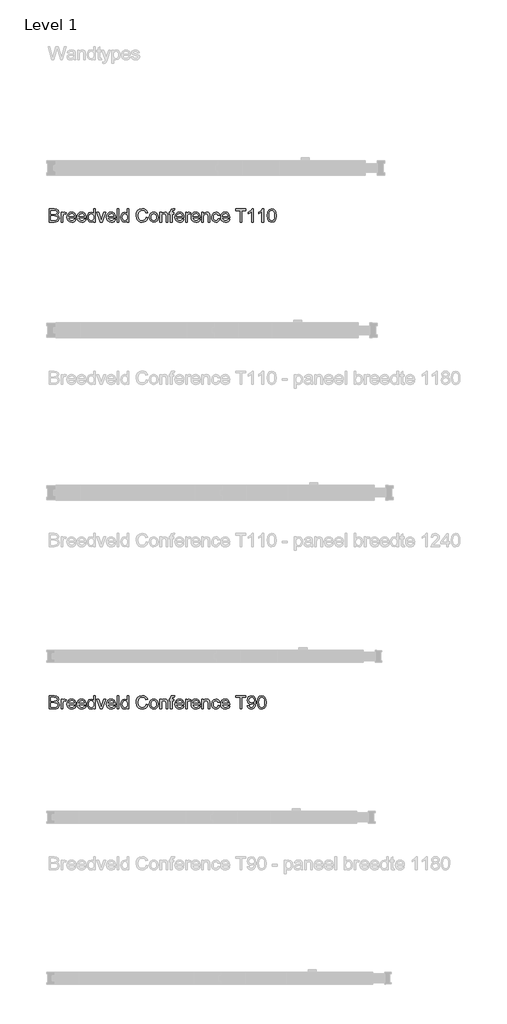
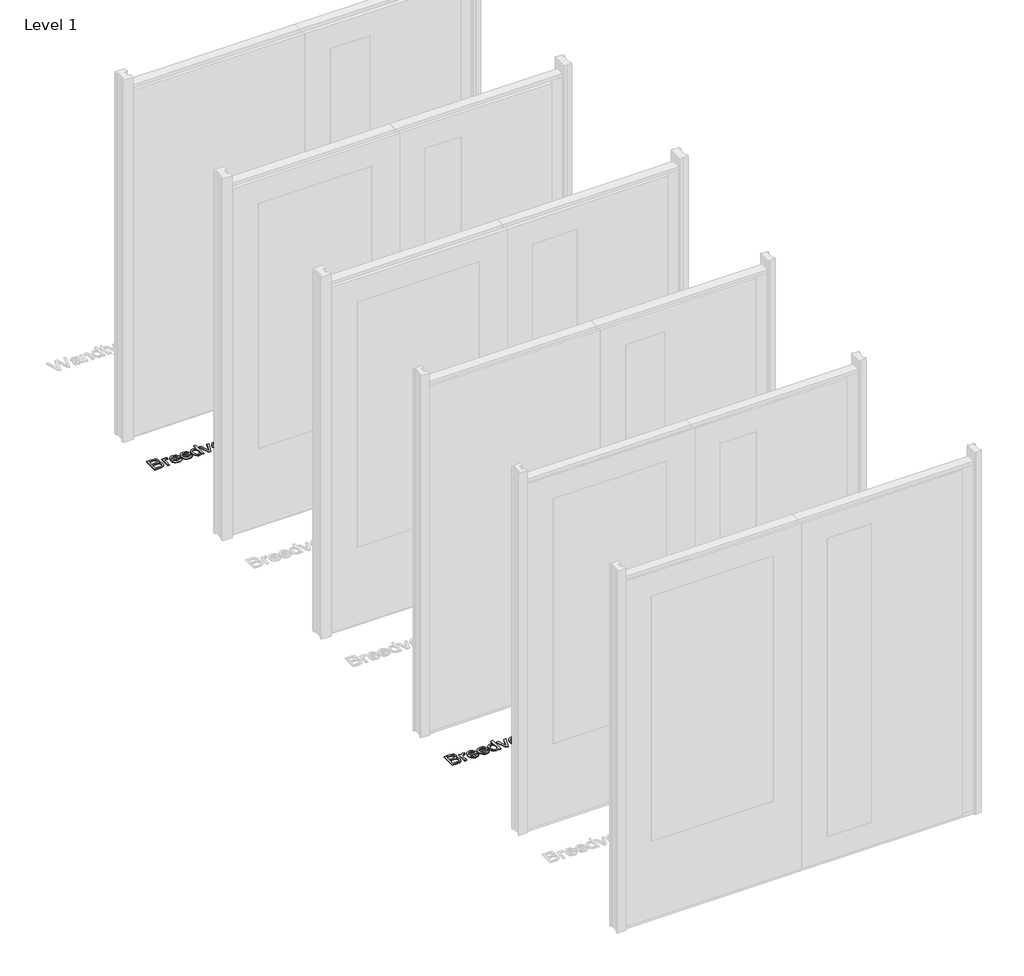
# One storey, part 5 of 17: 2 proxies.
"""IFC4 building model written with IfcOpenShell, lengths in millimetres."""

from ifc_helpers import new_model, si_unit, origin, origin_with_axes, place, context, project, spatial, polyline, outline, extrude, element, save

model = new_model("IFC4")

# Units and contexts
model_context = context("Model", 3, world=origin())
ifc_project = project(units=[si_unit("LENGTHUNIT", "METRE", prefix="MILLI")], contexts=[model_context])

# Site, building, storey
site = spatial("IfcSite", under=ifc_project)
building = spatial("IfcBuilding", under=site)
storey = spatial("IfcBuildingStorey", under=building, Name="Level 1", Elevation=0.0)

# Proxies
placement = place(None, origin())
element("IfcBuildingElementProxy", 1, Name="100 mm", ObjectType="100 mm", at=placement, inside=storey, context=model_context, shape_type="SweptSolid", body=[
    extrude(outline(polyline([(-17380.3580543, 4122.9102169), (-17380.3580543, 4221.3717554), (-17342.7859389, 4221.3717554), (-17324.3844966, 4218.4751207), (-17313.519112, 4209.5688707), (-17309.5888235, 4196.9727169), (-17312.894112, 4185.4703131), (-17322.8820927, 4176.7563707), (-17310.7546889, 4167.5736784), (-17306.5119004, 4152.2611784), (-17309.4085351, 4139.0280054), (-17316.5840158, 4129.6049284), (-17327.2931504, 4124.6049284), (-17343.0744004, 4122.9102169), (-17380.3580543, 4122.9102169)]), holes=[polyline([(-17368.050362, 4135.2179092), (-17342.8099774, 4135.2179092), (-17333.675362, 4135.6986784), (-17325.9469966, 4138.3789669), (-17320.8268043, 4143.8477169), (-17318.8195927, 4152.1409861), (-17321.175362, 4161.7082938), (-17328.8075735, 4167.4174284), (-17344.0119004, 4169.0640631), (-17368.050362, 4169.0640631), (-17368.050362, 4135.2179092)]), polyline([(-17368.050362, 4181.3717554), (-17345.5744004, 4181.3717554), (-17332.4494004, 4182.4294477), (-17324.5527658, 4186.9847361), (-17321.8965158, 4195.0015631), (-17324.3724774, 4203.0304092), (-17331.4638235, 4207.7780054), (-17347.2811312, 4209.0640631), (-17368.050362, 4209.0640631), (-17368.050362, 4181.3717554)])]), origin_with_axes(), (0.0, 0.0, 1.0), 5.0),
    extrude(outline(polyline([(-17291.1272851, 4122.9102169), (-17291.1272851, 4195.2179092), (-17280.3580543, 4195.2179092), (-17280.3580543, 4184.5207938), (-17272.7138235, 4194.3765631), (-17265.0215158, 4196.7563707), (-17252.6657466, 4192.9582938), (-17256.7763235, 4181.92464), (-17265.4301697, 4184.4486784), (-17272.3893043, 4182.0207938), (-17276.8244004, 4175.2900246), (-17278.8195927, 4160.9150246), (-17278.8195927, 4122.9102169), (-17291.1272851, 4122.9102169)])), origin_with_axes(), (0.0, 0.0, 1.0), 5.0),
    extrude(outline(polyline([(-17194.3484389, 4144.4486784), (-17182.2811312, 4142.9102169), (-17186.6290879, 4133.8176688), (-17193.5671889, 4127.0207938), (-17202.9391841, 4122.784015), (-17214.5888235, 4121.3717554), (-17229.0299293, 4123.8086544), (-17240.1417081, 4131.1193515), (-17247.2270447, 4142.8290871), (-17249.5888235, 4158.4631015), (-17247.2030062, 4174.6229573), (-17240.0455543, 4186.7082938), (-17229.0840158, 4194.2443515), (-17215.2859389, 4196.7563707), (-17201.9175495, 4194.2503611), (-17191.2354581, 4186.7323323), (-17184.2312514, 4174.6710342), (-17181.8965158, 4158.5352169), (-17181.9686312, 4155.2179092), (-17237.2811312, 4155.2179092), (-17235.1507226, 4146.0051688), (-17230.2018043, 4139.2323323), (-17214.3484389, 4133.6794477), (-17202.2811312, 4136.2515631), (-17194.3484389, 4144.4486784)]), holes=[polyline([(-17237.2811312, 4167.5256015), (-17194.2042081, 4167.5256015), (-17199.1320927, 4178.6794477), (-17206.3075735, 4183.0063707), (-17215.3340158, 4184.4486784), (-17230.4902658, 4179.8453131), (-17237.2811312, 4167.5256015)])]), origin_with_axes(), (0.0, 0.0, 1.0), 5.0),
    extrude(outline(polyline([(-17118.9638235, 4144.4486784), (-17106.8965158, 4142.9102169), (-17111.2444726, 4133.8176688), (-17118.1825735, 4127.0207938), (-17127.5545687, 4122.784015), (-17139.2042081, 4121.3717554), (-17153.6453139, 4123.8086544), (-17164.7570927, 4131.1193515), (-17171.8424293, 4142.8290871), (-17174.2042081, 4158.4631015), (-17171.8183908, 4174.6229573), (-17164.6609389, 4186.7082938), (-17153.6994004, 4194.2443515), (-17139.9013235, 4196.7563707), (-17126.5329341, 4194.2503611), (-17115.8508427, 4186.7323323), (-17108.846636, 4174.6710342), (-17106.5119004, 4158.5352169), (-17106.5840158, 4155.2179092), (-17161.8965158, 4155.2179092), (-17159.7661072, 4146.0051688), (-17154.8171889, 4139.2323323), (-17138.9638235, 4133.6794477), (-17126.8965158, 4136.2515631), (-17118.9638235, 4144.4486784)]), holes=[polyline([(-17161.8965158, 4167.5256015), (-17118.8195927, 4167.5256015), (-17123.7474774, 4178.6794477), (-17130.9229581, 4183.0063707), (-17139.9494004, 4184.4486784), (-17155.1056504, 4179.8453131), (-17161.8965158, 4167.5256015)])]), origin_with_axes(), (0.0, 0.0, 1.0), 5.0),
    extrude(outline(polyline([(-17049.5888235, 4122.9102169), (-17049.5888235, 4134.5207938), (-17057.7318524, 4124.659015), (-17068.987862, 4121.3717554), (-17084.2282466, 4126.1313707), (-17094.9974774, 4139.4126207), (-17098.8195927, 4158.9919477), (-17095.2979581, 4178.5832938), (-17084.7450735, 4192.0688707), (-17069.0359389, 4196.7563707), (-17057.6897851, 4193.4030054), (-17049.5888235, 4184.6890631), (-17049.5888235, 4221.3717554), (-17037.2811312, 4221.3717554), (-17037.2811312, 4122.9102169), (-17049.5888235, 4122.9102169)]), holes=[polyline([(-17086.5119004, 4159.0400246), (-17085.1236793, 4147.9072121), (-17080.9590158, 4139.9895438), (-17074.9073331, 4135.2569717), (-17067.8580543, 4133.6794477), (-17060.8117802, 4135.1848563), (-17054.9133427, 4139.7010823), (-17050.9199533, 4147.3122602), (-17049.5888235, 4158.1025246), (-17050.9439918, 4169.8993996), (-17055.0094966, 4178.0784861), (-17061.0581745, 4182.8561304), (-17068.362862, 4184.4486784), (-17075.4842562, 4182.9192313), (-17081.3195927, 4178.33089), (-17085.2138235, 4170.4492794), (-17086.5119004, 4159.0400246)])]), origin_with_axes(), (0.0, 0.0, 1.0), 5.0),
    extrude(outline(polyline([(-17001.0792081, 4122.9102169), (-17026.5119004, 4195.2179092), (-17013.4830543, 4195.2179092), (-16998.0744004, 4151.9006015), (-16993.4349774, 4137.3332938), (-16988.8917081, 4151.0832938), (-16973.3869004, 4195.2179092), (-16960.3580543, 4195.2179092), (-16985.4782466, 4122.9102169), (-17001.0792081, 4122.9102169)])), origin_with_axes(), (0.0, 0.0, 1.0), 5.0),
    extrude(outline(polyline([(-16898.9638235, 4144.4486784), (-16886.8965158, 4142.9102169), (-16891.2444726, 4133.8176688), (-16898.1825735, 4127.0207938), (-16907.5545687, 4122.784015), (-16919.2042081, 4121.3717554), (-16933.6453139, 4123.8086544), (-16944.7570927, 4131.1193515), (-16951.8424293, 4142.8290871), (-16954.2042081, 4158.4631015), (-16951.8183908, 4174.6229573), (-16944.6609389, 4186.7082938), (-16933.6994004, 4194.2443515), (-16919.9013235, 4196.7563707), (-16906.5329341, 4194.2503611), (-16895.8508427, 4186.7323323), (-16888.846636, 4174.6710342), (-16886.5119004, 4158.5352169), (-16886.5840158, 4155.2179092), (-16941.8965158, 4155.2179092), (-16939.7661072, 4146.0051688), (-16934.8171889, 4139.2323323), (-16918.9638235, 4133.6794477), (-16906.8965158, 4136.2515631), (-16898.9638235, 4144.4486784)]), holes=[polyline([(-16941.8965158, 4167.5256015), (-16898.8195927, 4167.5256015), (-16903.7474774, 4178.6794477), (-16910.9229581, 4183.0063707), (-16919.9494004, 4184.4486784), (-16935.1056504, 4179.8453131), (-16941.8965158, 4167.5256015)])]), origin_with_axes(), (0.0, 0.0, 1.0), 5.0),
    extrude(outline(polyline([(-16874.2042081, 4122.9102169), (-16874.2042081, 4221.3717554), (-16861.8965158, 4221.3717554), (-16861.8965158, 4122.9102169), (-16874.2042081, 4122.9102169)])), origin_with_axes(), (0.0, 0.0, 1.0), 5.0),
    extrude(outline(polyline([(-16798.8195927, 4122.9102169), (-16798.8195927, 4134.5207938), (-16806.9626216, 4124.659015), (-16818.2186312, 4121.3717554), (-16833.4590158, 4126.1313707), (-16844.2282466, 4139.4126207), (-16848.050362, 4158.9919477), (-16844.5287274, 4178.5832938), (-16833.9758427, 4192.0688707), (-16818.2667081, 4196.7563707), (-16806.9205543, 4193.4030054), (-16798.8195927, 4184.6890631), (-16798.8195927, 4221.3717554), (-16786.5119004, 4221.3717554), (-16786.5119004, 4122.9102169), (-16798.8195927, 4122.9102169)]), holes=[polyline([(-16835.7426697, 4159.0400246), (-16834.3544485, 4147.9072121), (-16830.1897851, 4139.9895438), (-16824.1381024, 4135.2569717), (-16817.0888235, 4133.6794477), (-16810.0425495, 4135.1848563), (-16804.144112, 4139.7010823), (-16800.1507226, 4147.3122602), (-16798.8195927, 4158.1025246), (-16800.174761, 4169.8993996), (-16804.2402658, 4178.0784861), (-16810.2889437, 4182.8561304), (-16817.5936312, 4184.4486784), (-16824.7150254, 4182.9192313), (-16830.550362, 4178.33089), (-16834.4445927, 4170.4492794), (-16835.7426697, 4159.0400246)])]), origin_with_axes(), (0.0, 0.0, 1.0), 5.0),
    extrude(outline(polyline([(-16658.8195927, 4157.9102169), (-16646.5119004, 4154.73714), (-16652.190987, 4140.3951929), (-16661.1032466, 4129.9174284), (-16672.8099774, 4123.5081736), (-16686.8724774, 4121.3717554), (-16701.1483187, 4122.9883419), (-16712.4854581, 4127.8381015), (-16721.175362, 4135.752765), (-16727.5094966, 4146.5640631), (-16732.6657466, 4172.8861784), (-16731.2084149, 4187.2431496), (-16726.8364197, 4199.6409861), (-16719.7781264, 4209.6860582), (-16710.2619004, 4216.9847361), (-16686.6080543, 4222.9102169), (-16673.1134629, 4220.9931496), (-16661.956612, 4215.2419477), (-16653.4860591, 4206.0111784), (-16648.050362, 4193.6554092), (-16660.3580543, 4190.7227169), (-16670.4542081, 4205.8549284), (-16687.0888235, 4210.6025246), (-16706.3436312, 4205.3381015), (-16717.2210351, 4191.2034861), (-16720.3580543, 4172.9102169), (-16716.644112, 4151.7082938), (-16705.081612, 4138.1626207), (-16688.0984389, 4133.6794477), (-16677.8250014, 4135.20589), (-16669.2643043, 4139.7852169), (-16662.8009629, 4147.3693515), (-16658.8195927, 4157.9102169)])), origin_with_axes(), (0.0, 0.0, 1.0), 5.0),
    extrude(outline(polyline([(-16634.2042081, 4159.0640631), (-16631.5419485, 4176.4979573), (-16623.5551697, 4188.7515631), (-16613.6873812, 4194.7551688), (-16601.8724774, 4196.7563707), (-16588.9427899, 4194.3194717), (-16578.6152658, 4187.0087746), (-16571.8454341, 4175.4012025), (-16569.5888235, 4160.0736784), (-16573.5792081, 4138.17464), (-16585.2018043, 4125.7828131), (-16601.8724774, 4121.3717554), (-16614.9584149, 4123.79964), (-16625.2739197, 4131.0832938), (-16631.971636, 4142.9342554), (-16634.2042081, 4159.0640631)]), holes=[polyline([(-16621.8965158, 4159.0881015), (-16620.472237, 4147.9492794), (-16616.1994004, 4140.0135823), (-16609.769112, 4135.2629813), (-16601.8724774, 4133.6794477), (-16594.0119004, 4135.2719957), (-16587.5936312, 4140.04964), (-16583.3207947, 4148.0905054), (-16581.8965158, 4159.4727169), (-16583.3298091, 4170.2870198), (-16587.6296889, 4178.1145438), (-16594.0569726, 4182.8651448), (-16601.8724774, 4184.4486784), (-16609.769112, 4182.8711544), (-16616.1994004, 4178.1385823), (-16620.472237, 4170.220914), (-16621.8965158, 4159.0881015)])]), origin_with_axes(), (0.0, 0.0, 1.0), 5.0),
    extrude(outline(polyline([(-16555.7426697, 4122.9102169), (-16555.7426697, 4195.2179092), (-16543.4349774, 4195.2179092), (-16543.4349774, 4185.1217554), (-16534.0239197, 4193.8477169), (-16521.175362, 4196.7563707), (-16509.5527658, 4194.4126207), (-16501.6200735, 4188.2587746), (-16497.9301697, 4179.2082938), (-16497.2811312, 4167.3092554), (-16497.2811312, 4122.9102169), (-16509.5888235, 4122.9102169), (-16509.5888235, 4165.6506015), (-16511.0070927, 4176.5400246), (-16516.019112, 4182.2972361), (-16524.4686312, 4184.4486784), (-16537.8219966, 4179.6169477), (-16542.0317322, 4172.6157457), (-16543.4349774, 4161.2756015), (-16543.4349774, 4122.9102169), (-16555.7426697, 4122.9102169)])), origin_with_axes(), (0.0, 0.0, 1.0), 5.0),
    extrude(outline(polyline([(-16477.2811312, 4122.9102169), (-16477.2811312, 4182.9102169), (-16488.050362, 4182.9102169), (-16488.050362, 4195.2179092), (-16477.2811312, 4195.2179092), (-16477.2811312, 4202.5015631), (-16475.9830543, 4212.7659861), (-16469.6849774, 4220.0977169), (-16457.2811312, 4222.9102169), (-16446.0551697, 4221.5640631), (-16447.8580543, 4210.0256015), (-16454.9494004, 4210.6025246), (-16462.7018043, 4208.5592554), (-16464.9734389, 4200.9390631), (-16464.9734389, 4195.2179092), (-16451.1272851, 4195.2179092), (-16451.1272851, 4182.9102169), (-16464.9734389, 4182.9102169), (-16464.9734389, 4122.9102169), (-16477.2811312, 4122.9102169)])), origin_with_axes(), (0.0, 0.0, 1.0), 5.0),
    extrude(outline(polyline([(-16389.7330543, 4144.4486784), (-16377.6657466, 4142.9102169), (-16382.0137033, 4133.8176688), (-16388.9518043, 4127.0207938), (-16398.3237995, 4122.784015), (-16409.9734389, 4121.3717554), (-16424.4145447, 4123.8086544), (-16435.5263235, 4131.1193515), (-16442.6116601, 4142.8290871), (-16444.9734389, 4158.4631015), (-16442.5876216, 4174.6229573), (-16435.4301697, 4186.7082938), (-16424.4686312, 4194.2443515), (-16410.6705543, 4196.7563707), (-16397.3021649, 4194.2503611), (-16386.6200735, 4186.7323323), (-16379.6158668, 4174.6710342), (-16377.2811312, 4158.5352169), (-16377.3532466, 4155.2179092), (-16432.6657466, 4155.2179092), (-16430.5353379, 4146.0051688), (-16425.5864197, 4139.2323323), (-16409.7330543, 4133.6794477), (-16397.6657466, 4136.2515631), (-16389.7330543, 4144.4486784)]), holes=[polyline([(-16432.6657466, 4167.5256015), (-16389.5888235, 4167.5256015), (-16394.5167081, 4178.6794477), (-16401.6921889, 4183.0063707), (-16410.7186312, 4184.4486784), (-16425.8748812, 4179.8453131), (-16432.6657466, 4167.5256015)])]), origin_with_axes(), (0.0, 0.0, 1.0), 5.0),
    extrude(outline(polyline([(-16364.9734389, 4122.9102169), (-16364.9734389, 4195.2179092), (-16354.2042081, 4195.2179092), (-16354.2042081, 4184.5207938), (-16346.5599774, 4194.3765631), (-16338.8676697, 4196.7563707), (-16326.5119004, 4192.9582938), (-16330.6224774, 4181.92464), (-16339.2763235, 4184.4486784), (-16346.2354581, 4182.0207938), (-16350.6705543, 4175.2900246), (-16352.6657466, 4160.9150246), (-16352.6657466, 4122.9102169), (-16364.9734389, 4122.9102169)])), origin_with_axes(), (0.0, 0.0, 1.0), 5.0),
    extrude(outline(polyline([(-16268.1945927, 4144.4486784), (-16256.1272851, 4142.9102169), (-16260.4752418, 4133.8176688), (-16267.4133427, 4127.0207938), (-16276.7853379, 4122.784015), (-16288.4349774, 4121.3717554), (-16302.8760831, 4123.8086544), (-16313.987862, 4131.1193515), (-16321.0731985, 4142.8290871), (-16323.4349774, 4158.4631015), (-16321.0491601, 4174.6229573), (-16313.8917081, 4186.7082938), (-16302.9301697, 4194.2443515), (-16289.1320927, 4196.7563707), (-16275.7637033, 4194.2503611), (-16265.081612, 4186.7323323), (-16258.0774052, 4174.6710342), (-16255.7426697, 4158.5352169), (-16255.8147851, 4155.2179092), (-16311.1272851, 4155.2179092), (-16308.9968764, 4146.0051688), (-16304.0479581, 4139.2323323), (-16288.1945927, 4133.6794477), (-16276.1272851, 4136.2515631), (-16268.1945927, 4144.4486784)]), holes=[polyline([(-16311.1272851, 4167.5256015), (-16268.050362, 4167.5256015), (-16272.9782466, 4178.6794477), (-16280.1537274, 4183.0063707), (-16289.1801697, 4184.4486784), (-16304.3364197, 4179.8453131), (-16311.1272851, 4167.5256015)])]), origin_with_axes(), (0.0, 0.0, 1.0), 5.0),
    extrude(outline(polyline([(-16243.4349774, 4122.9102169), (-16243.4349774, 4195.2179092), (-16231.1272851, 4195.2179092), (-16231.1272851, 4185.1217554), (-16221.7162274, 4193.8477169), (-16208.8676697, 4196.7563707), (-16197.2450735, 4194.4126207), (-16189.3123812, 4188.2587746), (-16185.6224774, 4179.2082938), (-16184.9734389, 4167.3092554), (-16184.9734389, 4122.9102169), (-16197.2811312, 4122.9102169), (-16197.2811312, 4165.6506015), (-16198.6994004, 4176.5400246), (-16203.7114197, 4182.2972361), (-16212.1609389, 4184.4486784), (-16225.5143043, 4179.6169477), (-16229.7240399, 4172.6157457), (-16231.1272851, 4161.2756015), (-16231.1272851, 4122.9102169), (-16243.4349774, 4122.9102169)])), origin_with_axes(), (0.0, 0.0, 1.0), 5.0),
    extrude(outline(polyline([(-16121.8965158, 4149.0640631), (-16109.5888235, 4147.5256015), (-16113.0203139, 4136.5790871), (-16119.4686312, 4128.3068515), (-16128.3268043, 4123.1055294), (-16138.987862, 4121.3717554), (-16152.0798091, 4123.7906256), (-16162.3171889, 4131.0472361), (-16168.924761, 4142.8230775), (-16171.1272851, 4158.79964), (-16167.3652658, 4179.2443515), (-16155.8989197, 4192.3813707), (-16139.1561312, 4196.7563707), (-16128.7564918, 4195.2539669), (-16120.4421889, 4190.7467554), (-16114.4776456, 4183.4751207), (-16111.1272851, 4173.6794477), (-16123.4349774, 4172.1409861), (-16129.144112, 4181.3597361), (-16139.0599774, 4184.4486784), (-16147.0137033, 4182.9282457), (-16153.3268043, 4178.3669477), (-16157.4463956, 4170.51839), (-16158.8195927, 4159.1361784), (-16157.4764437, 4147.6007217), (-16153.4469966, 4139.7251207), (-16147.2480783, 4135.1908659), (-16139.3965158, 4133.6794477), (-16127.7979581, 4137.4534861), (-16121.8965158, 4149.0640631)])), origin_with_axes(), (0.0, 0.0, 1.0), 5.0),
    extrude(outline(polyline([(-16048.1945927, 4144.4486784), (-16036.1272851, 4142.9102169), (-16040.4752418, 4133.8176688), (-16047.4133427, 4127.0207938), (-16056.7853379, 4122.784015), (-16068.4349774, 4121.3717554), (-16082.8760831, 4123.8086544), (-16093.987862, 4131.1193515), (-16101.0731985, 4142.8290871), (-16103.4349774, 4158.4631015), (-16101.0491601, 4174.6229573), (-16093.8917081, 4186.7082938), (-16082.9301697, 4194.2443515), (-16069.1320927, 4196.7563707), (-16055.7637033, 4194.2503611), (-16045.081612, 4186.7323323), (-16038.0774052, 4174.6710342), (-16035.7426697, 4158.5352169), (-16035.8147851, 4155.2179092), (-16091.1272851, 4155.2179092), (-16088.9968764, 4146.0051688), (-16084.0479581, 4139.2323323), (-16068.1945927, 4133.6794477), (-16056.1272851, 4136.2515631), (-16048.1945927, 4144.4486784)]), holes=[polyline([(-16091.1272851, 4167.5256015), (-16048.050362, 4167.5256015), (-16052.9782466, 4178.6794477), (-16060.1537274, 4183.0063707), (-16069.1801697, 4184.4486784), (-16084.3364197, 4179.8453131), (-16091.1272851, 4167.5256015)])]), origin_with_axes(), (0.0, 0.0, 1.0), 5.0),
    extrude(outline(polyline([(-15958.8195927, 4122.9102169), (-15958.8195927, 4209.0640631), (-15991.1272851, 4209.0640631), (-15991.1272851, 4221.3717554), (-15914.2042081, 4221.3717554), (-15914.2042081, 4209.0640631), (-15946.5119004, 4209.0640631), (-15946.5119004, 4122.9102169), (-15958.8195927, 4122.9102169)])), origin_with_axes(), (0.0, 0.0, 1.0), 5.0),
    extrude(outline(polyline([(-15858.8195927, 4122.9102169), (-15871.1272851, 4122.9102169), (-15871.1272851, 4199.6409861), (-15882.7859389, 4191.3356977), (-15895.7426697, 4185.1217554), (-15895.7426697, 4196.7563707), (-15877.7018043, 4208.2707938), (-15866.7522851, 4221.3717554), (-15858.8195927, 4221.3717554), (-15858.8195927, 4122.9102169)])), origin_with_axes(), (0.0, 0.0, 1.0), 5.0),
    extrude(outline(polyline([(-15783.4349774, 4122.9102169), (-15795.7426697, 4122.9102169), (-15795.7426697, 4199.6409861), (-15807.4013235, 4191.3356977), (-15820.3580543, 4185.1217554), (-15820.3580543, 4196.7563707), (-15802.3171889, 4208.2707938), (-15791.3676697, 4221.3717554), (-15783.4349774, 4221.3717554), (-15783.4349774, 4122.9102169)])), origin_with_axes(), (0.0, 0.0, 1.0), 5.0),
    extrude(outline(polyline([(-15754.2042081, 4171.3477169), (-15750.5864197, 4199.6770438), (-15739.8412274, 4216.0111784), (-15721.8965158, 4221.3717554), (-15707.5215158, 4218.1986784), (-15697.5936312, 4209.0520438), (-15691.8244004, 4194.4847361), (-15689.5888235, 4171.3477169), (-15693.1705543, 4143.1385823), (-15703.8796889, 4126.76839), (-15721.8965158, 4121.3717554), (-15734.6849774, 4123.7155054), (-15744.3965158, 4130.7467554), (-15751.7522851, 4147.3993996), (-15754.2042081, 4171.3477169)]), holes=[polyline([(-15741.8965158, 4171.3717554), (-15740.4542081, 4152.0117794), (-15736.1272851, 4140.8068515), (-15729.6849774, 4135.4612986), (-15721.8965158, 4133.6794477), (-15714.1080543, 4135.4673082), (-15707.6657466, 4140.83089), (-15703.3388235, 4152.0418275), (-15701.8965158, 4171.3717554), (-15703.2907466, 4190.2960342), (-15707.4734389, 4201.5881015), (-15713.9037274, 4207.1950727), (-15722.0407466, 4209.0640631), (-15729.7450735, 4207.4174284), (-15735.9349774, 4202.4775246), (-15740.4061312, 4190.4823323), (-15741.8965158, 4171.3717554)])]), origin_with_axes(), (0.0, 0.0, 1.0), 5.0),
])
element("IfcBuildingElementProxy", 2, Name="100 mm", ObjectType="100 mm", at=placement, inside=storey, context=model_context, shape_type="SweptSolid", body=[
    extrude(outline(polyline([(-17380.3580543, 492.9418082), (-17380.3580543, 591.4033467), (-17342.7859389, 591.4033467), (-17324.3844966, 588.5067121), (-17313.519112, 579.6004621), (-17309.5888235, 567.0043082), (-17312.894112, 555.5019044), (-17322.8820927, 546.7879621), (-17310.7546889, 537.6052698), (-17306.5119004, 522.2927698), (-17309.4085351, 509.0595967), (-17316.5840158, 499.6365198), (-17327.2931504, 494.6365198), (-17343.0744004, 492.9418082), (-17380.3580543, 492.9418082)]), holes=[polyline([(-17368.050362, 505.2495005), (-17342.8099774, 505.2495005), (-17333.675362, 505.7302698), (-17325.9469966, 508.4105582), (-17320.8268043, 513.8793082), (-17318.8195927, 522.1725775), (-17321.175362, 531.7398852), (-17328.8075735, 537.4490198), (-17344.0119004, 539.0956544), (-17368.050362, 539.0956544), (-17368.050362, 505.2495005)]), polyline([(-17368.050362, 551.4033467), (-17345.5744004, 551.4033467), (-17332.4494004, 552.461039), (-17324.5527658, 557.0163275), (-17321.8965158, 565.0331544), (-17324.3724774, 573.0620005), (-17331.4638235, 577.8095967), (-17347.2811312, 579.0956544), (-17368.050362, 579.0956544), (-17368.050362, 551.4033467)])]), origin_with_axes(), (0.0, 0.0, 1.0), 5.0),
    extrude(outline(polyline([(-17291.1272851, 492.9418082), (-17291.1272851, 565.2495005), (-17280.3580543, 565.2495005), (-17280.3580543, 554.5523852), (-17272.7138235, 564.4081544), (-17265.0215158, 566.7879621), (-17252.6657466, 562.9898852), (-17256.7763235, 551.9562313), (-17265.4301697, 554.4802698), (-17272.3893043, 552.0523852), (-17276.8244004, 545.3216159), (-17278.8195927, 530.9466159), (-17278.8195927, 492.9418082), (-17291.1272851, 492.9418082)])), origin_with_axes(), (0.0, 0.0, 1.0), 5.0),
    extrude(outline(polyline([(-17194.3484389, 514.4802698), (-17182.2811312, 512.9418082), (-17186.6290879, 503.8492602), (-17193.5671889, 497.0523852), (-17202.9391841, 492.8156063), (-17214.5888235, 491.4033467), (-17229.0299293, 493.8402457), (-17240.1417081, 501.1509429), (-17247.2270447, 512.8606784), (-17249.5888235, 528.4946929), (-17247.2030062, 544.6545486), (-17240.0455543, 556.7398852), (-17229.0840158, 564.2759429), (-17215.2859389, 566.7879621), (-17201.9175495, 564.2819525), (-17191.2354581, 556.7639236), (-17184.2312514, 544.7026255), (-17181.8965158, 528.5668082), (-17181.9686312, 525.2495005), (-17237.2811312, 525.2495005), (-17235.1507226, 516.0367602), (-17230.2018043, 509.2639236), (-17214.3484389, 503.711039), (-17202.2811312, 506.2831544), (-17194.3484389, 514.4802698)]), holes=[polyline([(-17237.2811312, 537.5571929), (-17194.2042081, 537.5571929), (-17199.1320927, 548.711039), (-17206.3075735, 553.0379621), (-17215.3340158, 554.4802698), (-17230.4902658, 549.8769044), (-17237.2811312, 537.5571929)])]), origin_with_axes(), (0.0, 0.0, 1.0), 5.0),
    extrude(outline(polyline([(-17118.9638235, 514.4802698), (-17106.8965158, 512.9418082), (-17111.2444726, 503.8492602), (-17118.1825735, 497.0523852), (-17127.5545687, 492.8156063), (-17139.2042081, 491.4033467), (-17153.6453139, 493.8402457), (-17164.7570927, 501.1509429), (-17171.8424293, 512.8606784), (-17174.2042081, 528.4946929), (-17171.8183908, 544.6545486), (-17164.6609389, 556.7398852), (-17153.6994004, 564.2759429), (-17139.9013235, 566.7879621), (-17126.5329341, 564.2819525), (-17115.8508427, 556.7639236), (-17108.846636, 544.7026255), (-17106.5119004, 528.5668082), (-17106.5840158, 525.2495005), (-17161.8965158, 525.2495005), (-17159.7661072, 516.0367602), (-17154.8171889, 509.2639236), (-17138.9638235, 503.711039), (-17126.8965158, 506.2831544), (-17118.9638235, 514.4802698)]), holes=[polyline([(-17161.8965158, 537.5571929), (-17118.8195927, 537.5571929), (-17123.7474774, 548.711039), (-17130.9229581, 553.0379621), (-17139.9494004, 554.4802698), (-17155.1056504, 549.8769044), (-17161.8965158, 537.5571929)])]), origin_with_axes(), (0.0, 0.0, 1.0), 5.0),
    extrude(outline(polyline([(-17049.5888235, 492.9418082), (-17049.5888235, 504.5523852), (-17057.7318524, 494.6906063), (-17068.987862, 491.4033467), (-17084.2282466, 496.1629621), (-17094.9974774, 509.4442121), (-17098.8195927, 529.023539), (-17095.2979581, 548.6148852), (-17084.7450735, 562.1004621), (-17069.0359389, 566.7879621), (-17057.6897851, 563.4345967), (-17049.5888235, 554.7206544), (-17049.5888235, 591.4033467), (-17037.2811312, 591.4033467), (-17037.2811312, 492.9418082), (-17049.5888235, 492.9418082)]), holes=[polyline([(-17086.5119004, 529.0716159), (-17085.1236793, 517.9388034), (-17080.9590158, 510.0211352), (-17074.9073331, 505.288563), (-17067.8580543, 503.711039), (-17060.8117802, 505.2164477), (-17054.9133427, 509.7326736), (-17050.9199533, 517.3438515), (-17049.5888235, 528.1341159), (-17050.9439918, 539.9309909), (-17055.0094966, 548.1100775), (-17061.0581745, 552.8877217), (-17068.362862, 554.4802698), (-17075.4842562, 552.9508227), (-17081.3195927, 548.3624813), (-17085.2138235, 540.4808707), (-17086.5119004, 529.0716159)])]), origin_with_axes(), (0.0, 0.0, 1.0), 5.0),
    extrude(outline(polyline([(-17001.0792081, 492.9418082), (-17026.5119004, 565.2495005), (-17013.4830543, 565.2495005), (-16998.0744004, 521.9321929), (-16993.4349774, 507.3648852), (-16988.8917081, 521.1148852), (-16973.3869004, 565.2495005), (-16960.3580543, 565.2495005), (-16985.4782466, 492.9418082), (-17001.0792081, 492.9418082)])), origin_with_axes(), (0.0, 0.0, 1.0), 5.0),
    extrude(outline(polyline([(-16898.9638235, 514.4802698), (-16886.8965158, 512.9418082), (-16891.2444726, 503.8492602), (-16898.1825735, 497.0523852), (-16907.5545687, 492.8156063), (-16919.2042081, 491.4033467), (-16933.6453139, 493.8402457), (-16944.7570927, 501.1509429), (-16951.8424293, 512.8606784), (-16954.2042081, 528.4946929), (-16951.8183908, 544.6545486), (-16944.6609389, 556.7398852), (-16933.6994004, 564.2759429), (-16919.9013235, 566.7879621), (-16906.5329341, 564.2819525), (-16895.8508427, 556.7639236), (-16888.846636, 544.7026255), (-16886.5119004, 528.5668082), (-16886.5840158, 525.2495005), (-16941.8965158, 525.2495005), (-16939.7661072, 516.0367602), (-16934.8171889, 509.2639236), (-16918.9638235, 503.711039), (-16906.8965158, 506.2831544), (-16898.9638235, 514.4802698)]), holes=[polyline([(-16941.8965158, 537.5571929), (-16898.8195927, 537.5571929), (-16903.7474774, 548.711039), (-16910.9229581, 553.0379621), (-16919.9494004, 554.4802698), (-16935.1056504, 549.8769044), (-16941.8965158, 537.5571929)])]), origin_with_axes(), (0.0, 0.0, 1.0), 5.0),
    extrude(outline(polyline([(-16874.2042081, 492.9418082), (-16874.2042081, 591.4033467), (-16861.8965158, 591.4033467), (-16861.8965158, 492.9418082), (-16874.2042081, 492.9418082)])), origin_with_axes(), (0.0, 0.0, 1.0), 5.0),
    extrude(outline(polyline([(-16798.8195927, 492.9418082), (-16798.8195927, 504.5523852), (-16806.9626216, 494.6906063), (-16818.2186312, 491.4033467), (-16833.4590158, 496.1629621), (-16844.2282466, 509.4442121), (-16848.050362, 529.023539), (-16844.5287274, 548.6148852), (-16833.9758427, 562.1004621), (-16818.2667081, 566.7879621), (-16806.9205543, 563.4345967), (-16798.8195927, 554.7206544), (-16798.8195927, 591.4033467), (-16786.5119004, 591.4033467), (-16786.5119004, 492.9418082), (-16798.8195927, 492.9418082)]), holes=[polyline([(-16835.7426697, 529.0716159), (-16834.3544485, 517.9388034), (-16830.1897851, 510.0211352), (-16824.1381024, 505.288563), (-16817.0888235, 503.711039), (-16810.0425495, 505.2164477), (-16804.144112, 509.7326736), (-16800.1507226, 517.3438515), (-16798.8195927, 528.1341159), (-16800.174761, 539.9309909), (-16804.2402658, 548.1100775), (-16810.2889437, 552.8877217), (-16817.5936312, 554.4802698), (-16824.7150254, 552.9508227), (-16830.550362, 548.3624813), (-16834.4445927, 540.4808707), (-16835.7426697, 529.0716159)])]), origin_with_axes(), (0.0, 0.0, 1.0), 5.0),
    extrude(outline(polyline([(-16658.8195927, 527.9418082), (-16646.5119004, 524.7687313), (-16652.190987, 510.4267842), (-16661.1032466, 499.9490198), (-16672.8099774, 493.539765), (-16686.8724774, 491.4033467), (-16701.1483187, 493.0199332), (-16712.4854581, 497.8696929), (-16721.175362, 505.7843563), (-16727.5094966, 516.5956544), (-16732.6657466, 542.9177698), (-16731.2084149, 557.2747409), (-16726.8364197, 569.6725775), (-16719.7781264, 579.7176496), (-16710.2619004, 587.0163275), (-16686.6080543, 592.9418082), (-16673.1134629, 591.0247409), (-16661.956612, 585.273539), (-16653.4860591, 576.0427698), (-16648.050362, 563.6870005), (-16660.3580543, 560.7543082), (-16670.4542081, 575.8865198), (-16687.0888235, 580.6341159), (-16706.3436312, 575.3696929), (-16717.2210351, 561.2350775), (-16720.3580543, 542.9418082), (-16716.644112, 521.7398852), (-16705.081612, 508.1942121), (-16688.0984389, 503.711039), (-16677.8250014, 505.2374813), (-16669.2643043, 509.8168082), (-16662.8009629, 517.4009429), (-16658.8195927, 527.9418082)])), origin_with_axes(), (0.0, 0.0, 1.0), 5.0),
    extrude(outline(polyline([(-16634.2042081, 529.0956544), (-16631.5419485, 546.5295486), (-16623.5551697, 558.7831544), (-16613.6873812, 564.7867602), (-16601.8724774, 566.7879621), (-16588.9427899, 564.351063), (-16578.6152658, 557.0403659), (-16571.8454341, 545.4327938), (-16569.5888235, 530.1052698), (-16573.5792081, 508.2062313), (-16585.2018043, 495.8144044), (-16601.8724774, 491.4033467), (-16614.9584149, 493.8312313), (-16625.2739197, 501.1148852), (-16631.971636, 512.9658467), (-16634.2042081, 529.0956544)]), holes=[polyline([(-16621.8965158, 529.1196929), (-16620.472237, 517.9808707), (-16616.1994004, 510.0451736), (-16609.769112, 505.2945727), (-16601.8724774, 503.711039), (-16594.0119004, 505.3035871), (-16587.5936312, 510.0812313), (-16583.3207947, 518.1220967), (-16581.8965158, 529.5043082), (-16583.3298091, 540.3186111), (-16587.6296889, 548.1461352), (-16594.0569726, 552.8967361), (-16601.8724774, 554.4802698), (-16609.769112, 552.9027457), (-16616.1994004, 548.1701736), (-16620.472237, 540.2525054), (-16621.8965158, 529.1196929)])]), origin_with_axes(), (0.0, 0.0, 1.0), 5.0),
    extrude(outline(polyline([(-16555.7426697, 492.9418082), (-16555.7426697, 565.2495005), (-16543.4349774, 565.2495005), (-16543.4349774, 555.1533467), (-16534.0239197, 563.8793082), (-16521.175362, 566.7879621), (-16509.5527658, 564.4442121), (-16501.6200735, 558.2903659), (-16497.9301697, 549.2398852), (-16497.2811312, 537.3408467), (-16497.2811312, 492.9418082), (-16509.5888235, 492.9418082), (-16509.5888235, 535.6821929), (-16511.0070927, 546.5716159), (-16516.019112, 552.3288275), (-16524.4686312, 554.4802698), (-16537.8219966, 549.648539), (-16542.0317322, 542.6473371), (-16543.4349774, 531.3071929), (-16543.4349774, 492.9418082), (-16555.7426697, 492.9418082)])), origin_with_axes(), (0.0, 0.0, 1.0), 5.0),
    extrude(outline(polyline([(-16477.2811312, 492.9418082), (-16477.2811312, 552.9418082), (-16488.050362, 552.9418082), (-16488.050362, 565.2495005), (-16477.2811312, 565.2495005), (-16477.2811312, 572.5331544), (-16475.9830543, 582.7975775), (-16469.6849774, 590.1293082), (-16457.2811312, 592.9418082), (-16446.0551697, 591.5956544), (-16447.8580543, 580.0571929), (-16454.9494004, 580.6341159), (-16462.7018043, 578.5908467), (-16464.9734389, 570.9706544), (-16464.9734389, 565.2495005), (-16451.1272851, 565.2495005), (-16451.1272851, 552.9418082), (-16464.9734389, 552.9418082), (-16464.9734389, 492.9418082), (-16477.2811312, 492.9418082)])), origin_with_axes(), (0.0, 0.0, 1.0), 5.0),
    extrude(outline(polyline([(-16389.7330543, 514.4802698), (-16377.6657466, 512.9418082), (-16382.0137033, 503.8492602), (-16388.9518043, 497.0523852), (-16398.3237995, 492.8156063), (-16409.9734389, 491.4033467), (-16424.4145447, 493.8402457), (-16435.5263235, 501.1509429), (-16442.6116601, 512.8606784), (-16444.9734389, 528.4946929), (-16442.5876216, 544.6545486), (-16435.4301697, 556.7398852), (-16424.4686312, 564.2759429), (-16410.6705543, 566.7879621), (-16397.3021649, 564.2819525), (-16386.6200735, 556.7639236), (-16379.6158668, 544.7026255), (-16377.2811312, 528.5668082), (-16377.3532466, 525.2495005), (-16432.6657466, 525.2495005), (-16430.5353379, 516.0367602), (-16425.5864197, 509.2639236), (-16409.7330543, 503.711039), (-16397.6657466, 506.2831544), (-16389.7330543, 514.4802698)]), holes=[polyline([(-16432.6657466, 537.5571929), (-16389.5888235, 537.5571929), (-16394.5167081, 548.711039), (-16401.6921889, 553.0379621), (-16410.7186312, 554.4802698), (-16425.8748812, 549.8769044), (-16432.6657466, 537.5571929)])]), origin_with_axes(), (0.0, 0.0, 1.0), 5.0),
    extrude(outline(polyline([(-16364.9734389, 492.9418082), (-16364.9734389, 565.2495005), (-16354.2042081, 565.2495005), (-16354.2042081, 554.5523852), (-16346.5599774, 564.4081544), (-16338.8676697, 566.7879621), (-16326.5119004, 562.9898852), (-16330.6224774, 551.9562313), (-16339.2763235, 554.4802698), (-16346.2354581, 552.0523852), (-16350.6705543, 545.3216159), (-16352.6657466, 530.9466159), (-16352.6657466, 492.9418082), (-16364.9734389, 492.9418082)])), origin_with_axes(), (0.0, 0.0, 1.0), 5.0),
    extrude(outline(polyline([(-16268.1945927, 514.4802698), (-16256.1272851, 512.9418082), (-16260.4752418, 503.8492602), (-16267.4133427, 497.0523852), (-16276.7853379, 492.8156063), (-16288.4349774, 491.4033467), (-16302.8760831, 493.8402457), (-16313.987862, 501.1509429), (-16321.0731985, 512.8606784), (-16323.4349774, 528.4946929), (-16321.0491601, 544.6545486), (-16313.8917081, 556.7398852), (-16302.9301697, 564.2759429), (-16289.1320927, 566.7879621), (-16275.7637033, 564.2819525), (-16265.081612, 556.7639236), (-16258.0774052, 544.7026255), (-16255.7426697, 528.5668082), (-16255.8147851, 525.2495005), (-16311.1272851, 525.2495005), (-16308.9968764, 516.0367602), (-16304.0479581, 509.2639236), (-16288.1945927, 503.711039), (-16276.1272851, 506.2831544), (-16268.1945927, 514.4802698)]), holes=[polyline([(-16311.1272851, 537.5571929), (-16268.050362, 537.5571929), (-16272.9782466, 548.711039), (-16280.1537274, 553.0379621), (-16289.1801697, 554.4802698), (-16304.3364197, 549.8769044), (-16311.1272851, 537.5571929)])]), origin_with_axes(), (0.0, 0.0, 1.0), 5.0),
    extrude(outline(polyline([(-16243.4349774, 492.9418082), (-16243.4349774, 565.2495005), (-16231.1272851, 565.2495005), (-16231.1272851, 555.1533467), (-16221.7162274, 563.8793082), (-16208.8676697, 566.7879621), (-16197.2450735, 564.4442121), (-16189.3123812, 558.2903659), (-16185.6224774, 549.2398852), (-16184.9734389, 537.3408467), (-16184.9734389, 492.9418082), (-16197.2811312, 492.9418082), (-16197.2811312, 535.6821929), (-16198.6994004, 546.5716159), (-16203.7114197, 552.3288275), (-16212.1609389, 554.4802698), (-16225.5143043, 549.648539), (-16229.7240399, 542.6473371), (-16231.1272851, 531.3071929), (-16231.1272851, 492.9418082), (-16243.4349774, 492.9418082)])), origin_with_axes(), (0.0, 0.0, 1.0), 5.0),
    extrude(outline(polyline([(-16121.8965158, 519.0956544), (-16109.5888235, 517.5571929), (-16113.0203139, 506.6106784), (-16119.4686312, 498.3384429), (-16128.3268043, 493.1371207), (-16138.987862, 491.4033467), (-16152.0798091, 493.8222169), (-16162.3171889, 501.0788275), (-16168.924761, 512.8546688), (-16171.1272851, 528.8312313), (-16167.3652658, 549.2759429), (-16155.8989197, 562.4129621), (-16139.1561312, 566.7879621), (-16128.7564918, 565.2855582), (-16120.4421889, 560.7783467), (-16114.4776456, 553.5067121), (-16111.1272851, 543.711039), (-16123.4349774, 542.1725775), (-16129.144112, 551.3913275), (-16139.0599774, 554.4802698), (-16147.0137033, 552.9598371), (-16153.3268043, 548.398539), (-16157.4463956, 540.5499813), (-16158.8195927, 529.1677698), (-16157.4764437, 517.632313), (-16153.4469966, 509.7567121), (-16147.2480783, 505.2224573), (-16139.3965158, 503.711039), (-16127.7979581, 507.4850775), (-16121.8965158, 519.0956544)])), origin_with_axes(), (0.0, 0.0, 1.0), 5.0),
    extrude(outline(polyline([(-16048.1945927, 514.4802698), (-16036.1272851, 512.9418082), (-16040.4752418, 503.8492602), (-16047.4133427, 497.0523852), (-16056.7853379, 492.8156063), (-16068.4349774, 491.4033467), (-16082.8760831, 493.8402457), (-16093.987862, 501.1509429), (-16101.0731985, 512.8606784), (-16103.4349774, 528.4946929), (-16101.0491601, 544.6545486), (-16093.8917081, 556.7398852), (-16082.9301697, 564.2759429), (-16069.1320927, 566.7879621), (-16055.7637033, 564.2819525), (-16045.081612, 556.7639236), (-16038.0774052, 544.7026255), (-16035.7426697, 528.5668082), (-16035.8147851, 525.2495005), (-16091.1272851, 525.2495005), (-16088.9968764, 516.0367602), (-16084.0479581, 509.2639236), (-16068.1945927, 503.711039), (-16056.1272851, 506.2831544), (-16048.1945927, 514.4802698)]), holes=[polyline([(-16091.1272851, 537.5571929), (-16048.050362, 537.5571929), (-16052.9782466, 548.711039), (-16060.1537274, 553.0379621), (-16069.1801697, 554.4802698), (-16084.3364197, 549.8769044), (-16091.1272851, 537.5571929)])]), origin_with_axes(), (0.0, 0.0, 1.0), 5.0),
    extrude(outline(polyline([(-15958.8195927, 492.9418082), (-15958.8195927, 579.0956544), (-15991.1272851, 579.0956544), (-15991.1272851, 591.4033467), (-15914.2042081, 591.4033467), (-15914.2042081, 579.0956544), (-15946.5119004, 579.0956544), (-15946.5119004, 492.9418082), (-15958.8195927, 492.9418082)])), origin_with_axes(), (0.0, 0.0, 1.0), 5.0),
    extrude(outline(polyline([(-15903.4349774, 517.5571929), (-15891.1272851, 519.0956544), (-15885.5984389, 507.3528659), (-15875.1176697, 503.711039), (-15865.1537274, 506.054789), (-15858.3989197, 512.3168082), (-15854.3724774, 523.0139236), (-15852.5936312, 537.2927698), (-15852.6657466, 539.6966159), (-15862.5094966, 530.3696929), (-15876.0070927, 526.7879621), (-15887.2300495, 528.9754621), (-15896.5719966, 535.5379621), (-15902.8730783, 545.6761832), (-15904.9734389, 558.5908467), (-15902.7709149, 571.9321929), (-15896.1633427, 582.3889236), (-15886.2384629, 589.1497409), (-15874.0840158, 591.4033467), (-15856.5479581, 586.2591159), (-15844.4806504, 571.5956544), (-15840.3580543, 544.0475775), (-15844.4686312, 514.1557505), (-15856.6921889, 497.2206544), (-15865.4992802, 492.8576736), (-15875.6945927, 491.4033467), (-15886.2174293, 493.1190919), (-15894.612862, 498.2663275), (-15900.4842562, 506.5205342), (-15903.4349774, 517.5571929)]), holes=[polyline([(-15852.6657466, 558.8793082), (-15857.9782466, 573.6389236), (-15872.0888235, 579.0956544), (-15880.3099774, 577.6263034), (-15886.8965158, 573.2182505), (-15891.2234389, 566.4724573), (-15892.6657466, 557.9898852), (-15887.2090158, 544.3480582), (-15872.425362, 539.0956544), (-15858.2306504, 544.3480582), (-15854.0569726, 550.6070727), (-15852.6657466, 558.8793082)])]), origin_with_axes(), (0.0, 0.0, 1.0), 5.0),
    extrude(outline(polyline([(-15829.5888235, 541.3793082), (-15825.9710351, 569.7086352), (-15815.2258427, 586.0427698), (-15797.2811312, 591.4033467), (-15782.9061312, 588.2302698), (-15772.9782466, 579.0836352), (-15767.2090158, 564.5163275), (-15764.9734389, 541.3793082), (-15768.5551697, 513.1701736), (-15779.2643043, 496.7999813), (-15797.2811312, 491.4033467), (-15810.0695927, 493.7470967), (-15819.7811312, 500.7783467), (-15827.1369004, 517.4309909), (-15829.5888235, 541.3793082)]), holes=[polyline([(-15817.2811312, 541.4033467), (-15815.8388235, 522.0433707), (-15811.5119004, 510.8384429), (-15805.0695927, 505.49289), (-15797.2811312, 503.711039), (-15789.4926697, 505.4988996), (-15783.050362, 510.8624813), (-15778.7234389, 522.0734188), (-15777.2811312, 541.4033467), (-15778.675362, 560.3276255), (-15782.8580543, 571.6196929), (-15789.2883427, 577.226664), (-15797.425362, 579.0956544), (-15805.1296889, 577.4490198), (-15811.3195927, 572.5091159), (-15815.7907466, 560.5139236), (-15817.2811312, 541.4033467)])]), origin_with_axes(), (0.0, 0.0, 1.0), 5.0),
])

save(model, "model.ifc")
